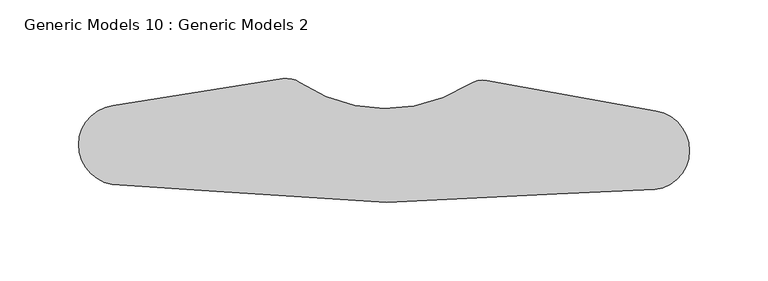
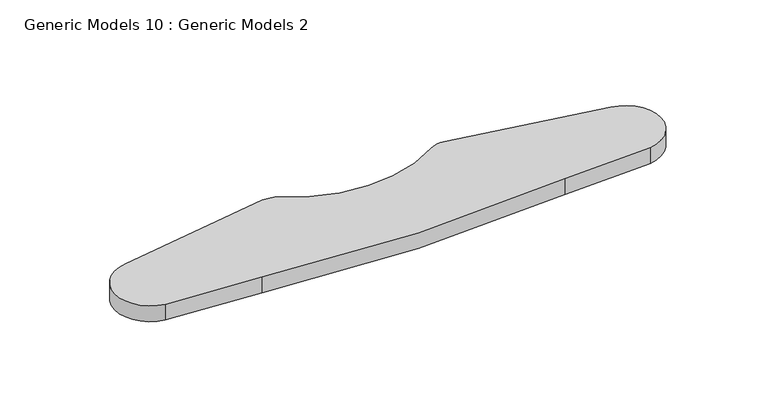
"""IFC4 building model written with IfcOpenShell, lengths in millimetres: proxy geometry, Generic Models 10 : Generic Models 2."""

from ifc_helpers import new_model, si_unit, point, frame, frame_2d, origin, place, context, project, spatial, polyline, circle_curve, trimmed, segment, composite_curve, outline, extrude, source, transform, mapped, element, save


def generic_models_10_generic_models_2_173a4328(model_context):
    return source(origin(), model_context, "Body", "SweptSolid", [
        extrude(outline(composite_curve([segment(trimmed(circle_curve(frame_2d((31919.2129431, -15551.6399004)), 25.2761356), [point((31923.0005978, -15526.6491681))], [point((31922.4984965, -15576.7015878))], False, "CARTESIAN"), True, "CONTINUOUS"), segment(polyline([(31922.4984965, -15576.7015878), (31859.8856701, -15579.3085731)]), True, "CONTINUOUS"), segment(trimmed(circle_curve(frame_2d((31758.5987407, -14651.6507269)), 933.1710035), [point((31859.8856701, -15579.3085731))], [point((31643.5752464, -15577.7056483))], False, "CARTESIAN"), True, "CONTINUOUS"), segment(polyline([(31643.5752464, -15577.7056483), (31577.0003106, -15573.2357196)]), True, "CONTINUOUS"), segment(trimmed(circle_curve(frame_2d((31580.7879652, -15548.2449873)), 25.2761356), [point((31577.0003106, -15573.2357196))], [point((31577.5024119, -15523.1832999))], False, "CARTESIAN"), True, "CONTINUOUS"), segment(polyline([(31577.5024119, -15523.1832999), (31685.5368621, -15505.9201252)]), True, "CONTINUOUS"), segment(trimmed(circle_curve(frame_2d((31687.9037335, -15520.7322122)), 15.0), [point((31685.5368621, -15505.9201252))], [point((31696.2764389, -15508.2864175))], False, "CARTESIAN"), True, "CONTINUOUS"), segment(trimmed(circle_curve(frame_2d((31751.2378879, -15426.5877462)), 98.4653938), [point((31696.2764389, -15508.2864175))], [point((31804.5493194, -15509.3725579))], True, "CARTESIAN"), True, "CONTINUOUS"), segment(trimmed(circle_curve(frame_2d((31812.6706648, -15521.9838127)), 15.0), [point((31804.5493194, -15509.3725579))], [point((31815.3342051, -15507.2221884))], False, "CARTESIAN"), True, "CONTINUOUS"), segment(polyline([(31815.3342051, -15507.2221884), (31923.0005978, -15526.6491681)]), True, "CONTINUOUS")], self_intersect=False)), frame((0.0, 0.0, 850.0), z_axis=(0.0, 0.0, 1.0), x_axis=(1.0, 0.0, 0.0)), (0.0, 0.0, 1.0), 12.0543013),
    ])


if __name__ == "__main__":
    model = new_model("IFC4")
    model_context = context("Model", 3, world=origin())
    ifc_project = project(units=[si_unit("LENGTHUNIT", "METRE", prefix="MILLI")], contexts=[model_context])
    site = spatial("IfcSite", under=ifc_project)
    building = spatial("IfcBuilding", under=site)
    placement = place(None, origin())
    generic_models_10_generic_models_2_shape = generic_models_10_generic_models_2_173a4328(model_context)
    element("IfcBuildingElementProxy", 1, Name="Generic Models 10 : Generic Models 2", ObjectType="Generic Models 10 : Generic Models 2", at=placement, inside=building, context=model_context, shape_type="MappedRepresentation", body=[
        mapped(generic_models_10_generic_models_2_shape, transform((0.0, 0.0, 0.0), x_axis=(1.0, 0.0, 0.0), y_axis=(0.0, 1.0, 0.0), z_axis=(0.0, 0.0, 1.0))),
    ])
    save(model, "model.ifc")
